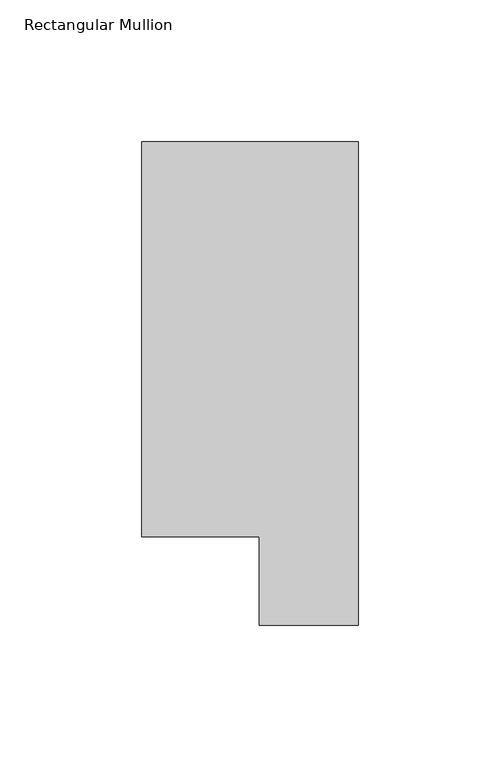
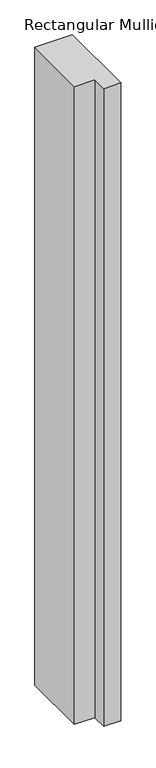
"""IFC4 building model written with IfcOpenShell, lengths in millimetres: member geometry, Rectangular Mullion."""

from ifc_helpers import new_model, si_unit, frame, origin, place, context, project, spatial, polyline, outline, extrude, source, transform, mapped, element, save


def rectangular_mullion_f2d5c049(model_context):
    return source(origin(), model_context, "Body", "SweptSolid", [
        extrude(outline(polyline([(-76.2, 190.0007313), (0.0, 190.0007313), (0.0, 19.5667313), (-34.9123, 19.5667313), (-34.9123, 50.820278), (-76.2, 50.820278), (-76.2, 190.0007313)])), frame((0.0, 0.0, -1371.6), z_axis=(0.0, 0.0, 1.0), x_axis=(1.0, 0.0, 0.0)), (0.0, 0.0, 1.0), 1371.6),
    ])


if __name__ == "__main__":
    model = new_model("IFC4")
    model_context = context("Model", 3, world=origin())
    ifc_project = project(units=[si_unit("LENGTHUNIT", "METRE", prefix="MILLI")], contexts=[model_context])
    site = spatial("IfcSite", under=ifc_project)
    building = spatial("IfcBuilding", under=site)
    placement = place(None, origin())
    rectangular_mullion_shape = rectangular_mullion_f2d5c049(model_context)
    element("IfcMember", 1, ObjectType="Rectangular Mullion", at=placement, inside=building, context=model_context, shape_type="MappedRepresentation", body=[
        mapped(rectangular_mullion_shape, transform((0.0, 0.0, 0.0), x_axis=(1.0, 0.0, 0.0), y_axis=(0.0, 1.0, 0.0), z_axis=(0.0, 0.0, 1.0))),
    ])
    save(model, "model.ifc")
